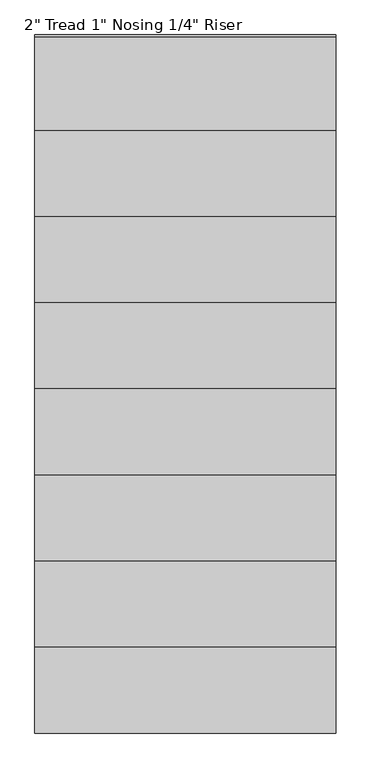
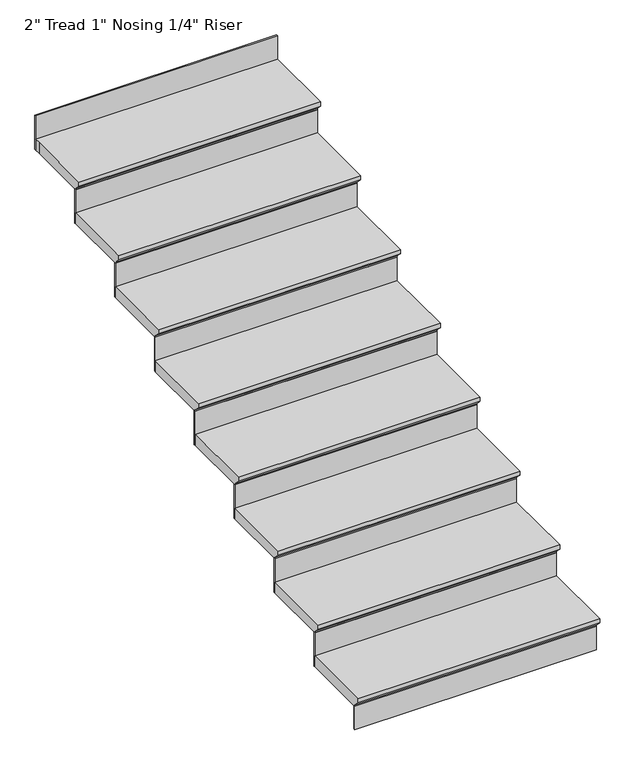
"""IFC4 building model written with IfcOpenShell, lengths in millimetres: stair flight geometry."""

from ifc_helpers import new_model, si_unit, origin, place, context, project, spatial, faceted_brep, source, transform, mapped, element, save


def stair_flight_8e0c80a7(model_context):
    return source(origin(), model_context, "Body", "Brep", [
        faceted_brep([(31444.5015552, -7296.5028521, 140.4055556), (31444.5015552, -7296.5028521, 159.4555556), (30377.7015552, -7296.5028521, 159.4555556), (30377.7015552, -7296.5028521, 140.4055556), (31444.5015552, -7271.1028521, 115.0055556), (30377.7015552, -7271.1028521, 115.0055556), (31444.5015552, -6966.3028521, 159.4555556), (30377.7015552, -6966.3028521, 159.4555556), (30377.7015552, -7271.1028521, 108.6555556), (30377.7015552, -6966.3028521, 108.6555556), (31444.5015552, -6966.3028521, 108.6555556), (31444.5015552, -7271.1028521, 108.6555556)], [[[0, 1, 2, 3]], [[4, 0, 3, 5]], [[2, 1, 6, 7]], [[8, 9, 10, 11]], [[2, 7, 9, 8, 5, 3]], [[8, 11, 4, 5]], [[6, 1, 0, 4, 11, 10]], [[7, 6, 10, 9]]]),
        faceted_brep([(31444.5015552, -7271.1028521, 108.6555556), (31444.5015552, -7271.1028521, 0.0), (31444.5015552, -7264.7528521, 0.0), (31444.5015552, -7264.7528521, 108.6555556), (30377.7015552, -7271.1028521, 108.6555556), (30377.7015552, -7264.7528521, 108.6555556), (30377.7015552, -7264.7528521, 0.0), (30377.7015552, -7271.1028521, 0.0)], [[[0, 1, 2, 3]], [[4, 5, 6, 7]], [[1, 0, 4, 7]], [[2, 1, 7, 6]], [[3, 2, 6, 5]], [[0, 3, 5, 4]]]),
        faceted_brep([(31444.5015552, -6966.3028521, 268.1111111), (31444.5015552, -6966.3028521, 108.6555556), (31444.5015552, -6959.9528521, 108.6555556), (31444.5015552, -6959.9528521, 268.1111111), (30377.7015552, -6966.3028521, 268.1111111), (30377.7015552, -6959.9528521, 268.1111111), (30377.7015552, -6959.9528521, 108.6555556), (30377.7015552, -6966.3028521, 108.6555556)], [[[0, 1, 2, 3]], [[4, 5, 6, 7]], [[1, 0, 4, 7]], [[2, 1, 7, 6]], [[3, 2, 6, 5]], [[0, 3, 5, 4]]]),
        faceted_brep([(30377.7015552, -6991.7028521, 318.9111111), (31444.5015552, -6991.7028521, 318.9111111), (31444.5015552, -6661.5028521, 318.9111111), (30377.7015552, -6661.5028521, 318.9111111), (30377.7015552, -6966.3028521, 268.1111111), (30377.7015552, -6661.5028521, 268.1111111), (31444.5015552, -6661.5028521, 268.1111111), (31444.5015552, -6966.3028521, 268.1111111), (30377.7015552, -6966.3028521, 274.4611111), (30377.7015552, -6991.7028521, 299.8611111), (31444.5015552, -6966.3028521, 274.4611111), (31444.5015552, -6991.7028521, 299.8611111)], [[[0, 1, 2, 3]], [[4, 5, 6, 7]], [[0, 3, 5, 4, 8, 9]], [[4, 7, 10, 8]], [[2, 1, 11, 10, 7, 6]], [[3, 2, 6, 5]], [[11, 1, 0, 9]], [[10, 11, 9, 8]]]),
        faceted_brep([(31444.5015552, -6661.5028521, 427.5666667), (31444.5015552, -6661.5028521, 268.1111111), (31444.5015552, -6655.1528521, 268.1111111), (31444.5015552, -6655.1528521, 427.5666667), (30377.7015552, -6661.5028521, 427.5666667), (30377.7015552, -6655.1528521, 427.5666667), (30377.7015552, -6655.1528521, 268.1111111), (30377.7015552, -6661.5028521, 268.1111111)], [[[0, 1, 2, 3]], [[4, 5, 6, 7]], [[1, 0, 4, 7]], [[2, 1, 7, 6]], [[3, 2, 6, 5]], [[0, 3, 5, 4]]]),
        faceted_brep([(30377.7015552, -6686.9028521, 478.3666667), (31444.5015552, -6686.9028521, 478.3666667), (31444.5015552, -6356.7028521, 478.3666667), (30377.7015552, -6356.7028521, 478.3666667), (30377.7015552, -6661.5028521, 427.5666667), (30377.7015552, -6356.7028521, 427.5666667), (31444.5015552, -6356.7028521, 427.5666667), (31444.5015552, -6661.5028521, 427.5666667), (30377.7015552, -6661.5028521, 433.9166667), (30377.7015552, -6686.9028521, 459.3166667), (31444.5015552, -6661.5028521, 433.9166667), (31444.5015552, -6686.9028521, 459.3166667)], [[[0, 1, 2, 3]], [[4, 5, 6, 7]], [[0, 3, 5, 4, 8, 9]], [[4, 7, 10, 8]], [[2, 1, 11, 10, 7, 6]], [[3, 2, 6, 5]], [[11, 1, 0, 9]], [[10, 11, 9, 8]]]),
        faceted_brep([(31444.5015552, -6356.7028521, 587.0222222), (31444.5015552, -6356.7028521, 427.5666667), (31444.5015552, -6350.3528521, 427.5666667), (31444.5015552, -6350.3528521, 587.0222222), (30377.7015552, -6356.7028521, 587.0222222), (30377.7015552, -6350.3528521, 587.0222222), (30377.7015552, -6350.3528521, 427.5666667), (30377.7015552, -6356.7028521, 427.5666667)], [[[0, 1, 2, 3]], [[4, 5, 6, 7]], [[1, 0, 4, 7]], [[2, 1, 7, 6]], [[3, 2, 6, 5]], [[0, 3, 5, 4]]]),
        faceted_brep([(30377.7015552, -6382.1028521, 637.8222222), (31444.5015552, -6382.1028521, 637.8222222), (31444.5015552, -6051.9028521, 637.8222222), (30377.7015552, -6051.9028521, 637.8222222), (30377.7015552, -6356.7028521, 587.0222222), (30377.7015552, -6051.9028521, 587.0222222), (31444.5015552, -6051.9028521, 587.0222222), (31444.5015552, -6356.7028521, 587.0222222), (30377.7015552, -6356.7028521, 593.3722222), (30377.7015552, -6382.1028521, 618.7722222), (31444.5015552, -6356.7028521, 593.3722222), (31444.5015552, -6382.1028521, 618.7722222)], [[[0, 1, 2, 3]], [[4, 5, 6, 7]], [[0, 3, 5, 4, 8, 9]], [[4, 7, 10, 8]], [[2, 1, 11, 10, 7, 6]], [[3, 2, 6, 5]], [[11, 1, 0, 9]], [[10, 11, 9, 8]]]),
        faceted_brep([(31444.5015552, -6051.9028521, 746.4777778), (31444.5015552, -6051.9028521, 587.0222222), (31444.5015552, -6045.5528521, 587.0222222), (31444.5015552, -6045.5528521, 746.4777778), (30377.7015552, -6051.9028521, 746.4777778), (30377.7015552, -6045.5528521, 746.4777778), (30377.7015552, -6045.5528521, 587.0222222), (30377.7015552, -6051.9028521, 587.0222222)], [[[0, 1, 2, 3]], [[4, 5, 6, 7]], [[1, 0, 4, 7]], [[2, 1, 7, 6]], [[3, 2, 6, 5]], [[0, 3, 5, 4]]]),
        faceted_brep([(30377.7015552, -6077.3028521, 797.2777778), (31444.5015552, -6077.3028521, 797.2777778), (31444.5015552, -5747.1028521, 797.2777778), (30377.7015552, -5747.1028521, 797.2777778), (30377.7015552, -6051.9028521, 746.4777778), (30377.7015552, -5747.1028521, 746.4777778), (31444.5015552, -5747.1028521, 746.4777778), (31444.5015552, -6051.9028521, 746.4777778), (30377.7015552, -6051.9028521, 752.8277778), (30377.7015552, -6077.3028521, 778.2277778), (31444.5015552, -6051.9028521, 752.8277778), (31444.5015552, -6077.3028521, 778.2277778)], [[[0, 1, 2, 3]], [[4, 5, 6, 7]], [[0, 3, 5, 4, 8, 9]], [[4, 7, 10, 8]], [[2, 1, 11, 10, 7, 6]], [[3, 2, 6, 5]], [[11, 1, 0, 9]], [[10, 11, 9, 8]]]),
        faceted_brep([(31444.5015552, -5747.1028521, 905.9333333), (31444.5015552, -5747.1028521, 746.4777778), (31444.5015552, -5740.7528521, 746.4777778), (31444.5015552, -5740.7528521, 905.9333333), (30377.7015552, -5747.1028521, 905.9333333), (30377.7015552, -5740.7528521, 905.9333333), (30377.7015552, -5740.7528521, 746.4777778), (30377.7015552, -5747.1028521, 746.4777778)], [[[0, 1, 2, 3]], [[4, 5, 6, 7]], [[1, 0, 4, 7]], [[2, 1, 7, 6]], [[3, 2, 6, 5]], [[0, 3, 5, 4]]]),
        faceted_brep([(30377.7015552, -5772.5028521, 956.7333333), (31444.5015552, -5772.5028521, 956.7333333), (31444.5015552, -5442.3028521, 956.7333333), (30377.7015552, -5442.3028521, 956.7333333), (30377.7015552, -5747.1028521, 905.9333333), (30377.7015552, -5442.3028521, 905.9333333), (31444.5015552, -5442.3028521, 905.9333333), (31444.5015552, -5747.1028521, 905.9333333), (30377.7015552, -5747.1028521, 912.2833333), (30377.7015552, -5772.5028521, 937.6833333), (31444.5015552, -5747.1028521, 912.2833333), (31444.5015552, -5772.5028521, 937.6833333)], [[[0, 1, 2, 3]], [[4, 5, 6, 7]], [[0, 3, 5, 4, 8, 9]], [[4, 7, 10, 8]], [[2, 1, 11, 10, 7, 6]], [[3, 2, 6, 5]], [[11, 1, 0, 9]], [[10, 11, 9, 8]]]),
        faceted_brep([(31444.5015552, -5442.3028521, 1065.3888889), (31444.5015552, -5442.3028521, 905.9333333), (31444.5015552, -5435.9528521, 905.9333333), (31444.5015552, -5435.9528521, 1065.3888889), (30377.7015552, -5442.3028521, 1065.3888889), (30377.7015552, -5435.9528521, 1065.3888889), (30377.7015552, -5435.9528521, 905.9333333), (30377.7015552, -5442.3028521, 905.9333333)], [[[0, 1, 2, 3]], [[4, 5, 6, 7]], [[1, 0, 4, 7]], [[2, 1, 7, 6]], [[3, 2, 6, 5]], [[0, 3, 5, 4]]]),
        faceted_brep([(30377.7015552, -5467.7028521, 1116.1888889), (31444.5015552, -5467.7028521, 1116.1888889), (31444.5015552, -5137.5028521, 1116.1888889), (30377.7015552, -5137.5028521, 1116.1888889), (30377.7015552, -5442.3028521, 1065.3888889), (30377.7015552, -5137.5028521, 1065.3888889), (31444.5015552, -5137.5028521, 1065.3888889), (31444.5015552, -5442.3028521, 1065.3888889), (30377.7015552, -5442.3028521, 1071.7388889), (30377.7015552, -5467.7028521, 1097.1388889), (31444.5015552, -5442.3028521, 1071.7388889), (31444.5015552, -5467.7028521, 1097.1388889)], [[[0, 1, 2, 3]], [[4, 5, 6, 7]], [[0, 3, 5, 4, 8, 9]], [[4, 7, 10, 8]], [[2, 1, 11, 10, 7, 6]], [[3, 2, 6, 5]], [[11, 1, 0, 9]], [[10, 11, 9, 8]]]),
        faceted_brep([(31444.5015552, -4832.7028521, 1384.3), (31444.5015552, -4832.7028521, 1224.8444444), (31444.5015552, -4826.3528521, 1224.8444444), (31444.5015552, -4826.3528521, 1384.3), (30377.7015552, -4832.7028521, 1384.3), (30377.7015552, -4826.3528521, 1384.3), (30377.7015552, -4826.3528521, 1224.8444444), (30377.7015552, -4832.7028521, 1224.8444444)], [[[0, 1, 2, 3]], [[4, 5, 6, 7]], [[1, 0, 4, 7]], [[2, 1, 7, 6]], [[3, 2, 6, 5]], [[0, 3, 5, 4]]]),
        faceted_brep([(31444.5015552, -5137.5028521, 1224.8444444), (31444.5015552, -5137.5028521, 1065.3888889), (31444.5015552, -5131.1528521, 1065.3888889), (31444.5015552, -5131.1528521, 1224.8444444), (30377.7015552, -5137.5028521, 1224.8444444), (30377.7015552, -5131.1528521, 1224.8444444), (30377.7015552, -5131.1528521, 1065.3888889), (30377.7015552, -5137.5028521, 1065.3888889)], [[[0, 1, 2, 3]], [[4, 5, 6, 7]], [[1, 0, 4, 7]], [[2, 1, 7, 6]], [[3, 2, 6, 5]], [[0, 3, 5, 4]]]),
        faceted_brep([(30377.7015552, -4832.7028521, 1275.6444444), (30377.7015552, -4858.1028521, 1275.6444444), (30377.7015552, -5162.9028521, 1275.6444444), (31444.5015552, -5162.9028521, 1275.6444444), (31444.5015552, -4832.7028521, 1275.6444444), (30377.7015552, -4858.1028521, 1224.8444444), (30377.7015552, -4832.7028521, 1224.8444444), (31444.5015552, -4832.7028521, 1224.8444444), (31444.5015552, -5137.5028521, 1224.8444444), (30377.7015552, -5137.5028521, 1224.8444444), (30377.7015552, -5137.5028521, 1231.1944444), (30377.7015552, -5162.9028521, 1256.5944444), (31444.5015552, -5137.5028521, 1231.1944444), (31444.5015552, -5162.9028521, 1256.5944444)], [[[0, 1, 2, 3, 4]], [[5, 6, 7, 8, 9]], [[1, 0, 6, 5]], [[2, 1, 5, 9, 10, 11]], [[9, 8, 12, 10]], [[4, 3, 13, 12, 8, 7]], [[0, 4, 7, 6]], [[13, 3, 2, 11]], [[12, 13, 11, 10]]]),
    ])


if __name__ == "__main__":
    model = new_model("IFC4")
    model_context = context("Model", 3, world=origin())
    ifc_project = project(units=[si_unit("LENGTHUNIT", "METRE", prefix="MILLI")], contexts=[model_context])
    site = spatial("IfcSite", under=ifc_project)
    building = spatial("IfcBuilding", under=site)
    placement = place(None, origin())
    stair_flight_shape = stair_flight_8e0c80a7(model_context)
    element("IfcStairFlight", 1, ObjectType="2\" Tread 1\" Nosing 1/4\" Riser", at=placement, inside=building, context=model_context, shape_type="MappedRepresentation", body=[
        mapped(stair_flight_shape, transform((0.0, 0.0, 0.0), x_axis=(1.0, 0.0, 0.0), y_axis=(0.0, 1.0, 0.0), z_axis=(0.0, 0.0, 1.0))),
    ])
    save(model, "model.ifc")
